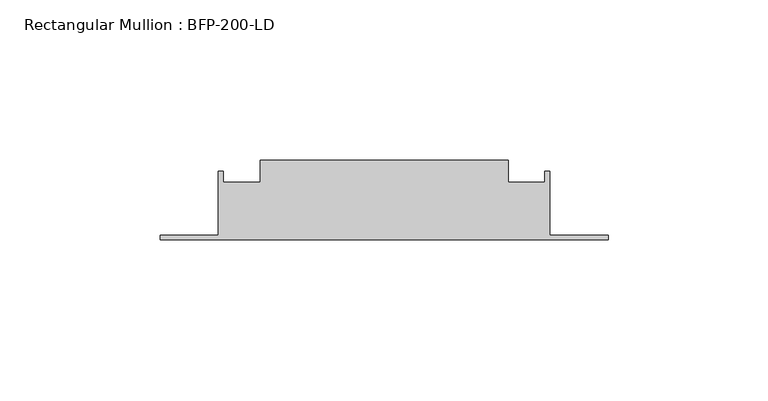
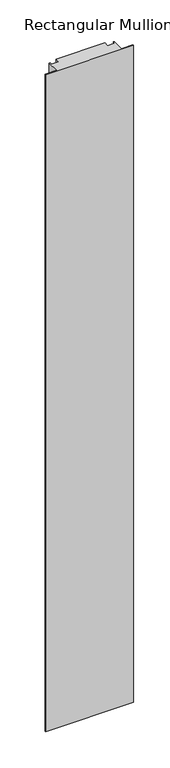
"""IFC4 building model written with IfcOpenShell, lengths in millimetres: member geometry, Rectangular Mullion : BFP-200-LD."""

from ifc_helpers import new_model, si_unit, frame, origin, place, context, project, spatial, polyline, outline, extrude, source, transform, mapped, element, save


def rectangular_mullion_bfp_200_ld_813499cb(model_context):
    return source(origin(), model_context, "Body", "SweptSolid", [
        extrude(outline(polyline([(-31.25, 45.0), (-31.25, 38.0), (-19.75, 38.0), (-19.75, 41.5), (-18.25, 41.5), (-18.25, 21.5), (0.0, 21.5), (0.0, 20.0), (-140.0, 20.0), (-140.0, 21.5), (-121.75, 21.5), (-121.75, 41.5), (-120.25, 41.5), (-120.25, 38.0), (-108.75, 38.0), (-108.75, 45.0), (-31.25, 45.0)])), frame((0.0, 0.0, -1100.0), z_axis=(0.0, 0.0, 1.0), x_axis=(1.0, 0.0, 0.0)), (0.0, 0.0, 1.0), 1100.0),
    ])


if __name__ == "__main__":
    model = new_model("IFC4")
    model_context = context("Model", 3, world=origin())
    ifc_project = project(units=[si_unit("LENGTHUNIT", "METRE", prefix="MILLI")], contexts=[model_context])
    site = spatial("IfcSite", under=ifc_project)
    building = spatial("IfcBuilding", under=site)
    placement = place(None, origin())
    rectangular_mullion_bfp_200_ld_shape = rectangular_mullion_bfp_200_ld_813499cb(model_context)
    element("IfcMember", 1, ObjectType="Rectangular Mullion : BFP-200-LD", at=placement, inside=building, context=model_context, shape_type="MappedRepresentation", body=[
        mapped(rectangular_mullion_bfp_200_ld_shape, transform((0.0, 0.0, 0.0), x_axis=(1.0, 0.0, 0.0), y_axis=(0.0, 1.0, 0.0), z_axis=(0.0, 0.0, 1.0))),
    ])
    save(model, "model.ifc")
